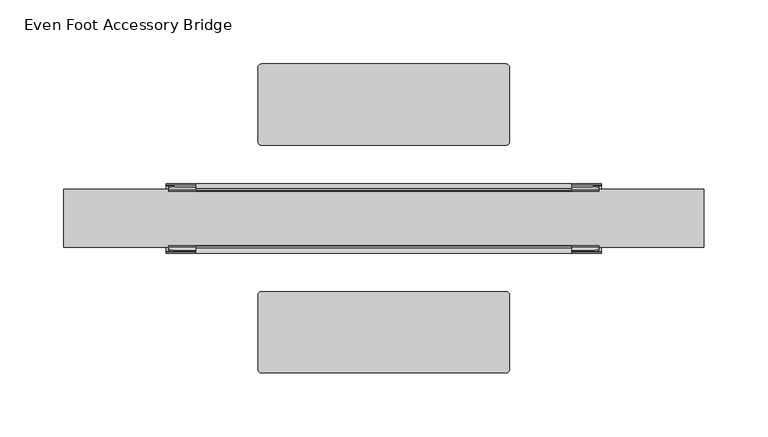
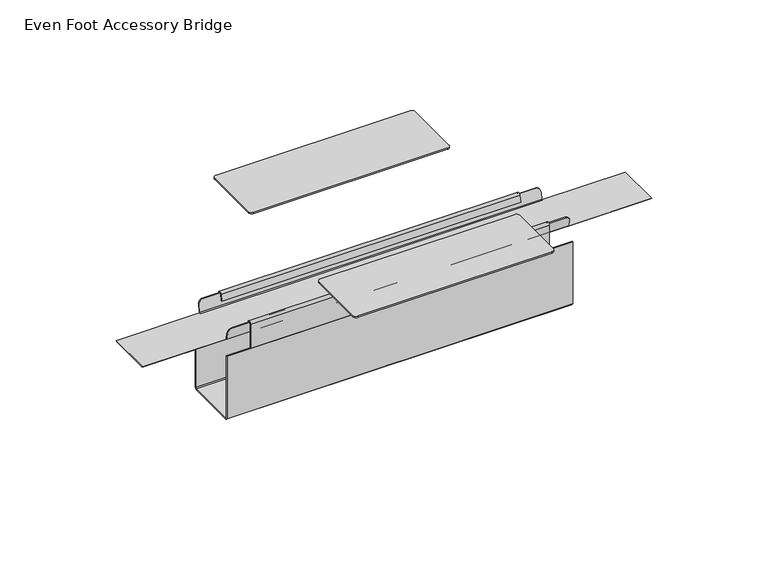
"""IFC4 building model written with IfcOpenShell, lengths in millimetres: furniture geometry, Even Foot Accessory Bridge."""

from ifc_helpers import new_model, si_unit, point, frame, frame_2d, origin, place, context, project, spatial, polyline, circle_curve, ellipse_curve, trimmed, segment, composite_curve, outline, extrude, source, transform, mapped, element, save
from ifc_brep_helpers import plane_surface, cylinder_surface, advanced_brep


def even_foot_accessory_bridge_b4b5adaf(model_context):
    return source(origin(), model_context, "Body", "SolidModel", [
        extrude(outline(composite_curve([segment(polyline([(-46.2839162, 691.7120263), (-47.625, 692.7848934), (-34.9250008, 692.7848934), (-36.3766469, 691.6235765)]), True, "CONTINUOUS"), segment(trimmed(circle_curve(frame_2d((-41.3203309, 692.7823751)), 5.0776791), [point((-36.3766469, 691.6235765))], [point((-46.2839162, 691.7120263))], False, "CARTESIAN"), True, "CONTINUOUS")], self_intersect=False)), frame((-88.8993974, 0.0, 0.0), z_axis=(1.0, 0.0, 0.0), x_axis=(0.0, 1.0, 0.0)), (0.0, 0.0, 1.0), 177.7999939),
        extrude(outline(composite_curve([segment(polyline([(-71.6310974, 691.6697725), (-73.0249985, 692.7848934), (-60.3250015, 692.7848934), (-61.7189026, 691.6697725)]), True, "CONTINUOUS"), segment(trimmed(circle_curve(frame_2d((-66.675, 692.7848991)), 5.0800008), [point((-61.7189026, 691.6697725))], [point((-71.6310974, 691.6697725))], False, "CARTESIAN"), True, "CONTINUOUS")], self_intersect=False)), frame((-88.8993974, 0.0, 0.0), z_axis=(1.0, 0.0, 0.0), x_axis=(0.0, 1.0, 0.0)), (0.0, 0.0, 1.0), 177.7999939),
        extrude(outline(composite_curve([segment(trimmed(circle_curve(frame_2d((111.1703324, 692.7823751)), 5.0776791), [point((116.1339177, 691.7120263))], [point((106.2266484, 691.6235765))], False, "CARTESIAN"), True, "CONTINUOUS"), segment(polyline([(106.2266484, 691.6235765), (104.7750023, 692.7848934), (117.4750015, 692.7848934), (116.1339177, 691.7120263)]), True, "CONTINUOUS")], self_intersect=False)), frame((-88.8993974, 0.0, 0.0), z_axis=(1.0, 0.0, 0.0), x_axis=(0.0, 1.0, 0.0)), (0.0, 0.0, 1.0), 177.7999939),
        extrude(outline(composite_curve([segment(trimmed(circle_curve(frame_2d((136.5250015, 692.7848991)), 5.0800008), [point((141.4810989, 691.6697725))], [point((131.5689041, 691.6697725))], False, "CARTESIAN"), True, "CONTINUOUS"), segment(polyline([(131.5689041, 691.6697725), (130.175003, 692.7848934), (142.875, 692.7848934), (141.4810989, 691.6697725)]), True, "CONTINUOUS")], self_intersect=False)), frame((-88.8993974, 0.0, 0.0), z_axis=(1.0, 0.0, 0.0), x_axis=(0.0, 1.0, 0.0)), (0.0, 0.0, 1.0), 177.7999939),
        extrude(outline(composite_curve([segment(trimmed(circle_curve(frame_2d((95.3775994, 152.527009)), 3.0479971), [point((95.3775994, 155.5750061))], [point((98.4255965, 152.527009))], False, "CARTESIAN"), True, "CONTINUOUS"), segment(polyline([(98.4255965, 152.527009), (98.4255965, 95.1230001)]), True, "CONTINUOUS"), segment(trimmed(circle_curve(frame_2d((95.3775994, 95.1230001)), 3.0479971), [point((98.4255965, 95.1230001))], [point((95.3775994, 92.075003))], False, "CARTESIAN"), True, "CONTINUOUS"), segment(polyline([(95.3775994, 92.075003), (-95.3764004, 92.075003)]), True, "CONTINUOUS"), segment(trimmed(circle_curve(frame_2d((-95.3764004, 95.1230001)), 3.0479971), [point((-95.3764004, 92.075003))], [point((-98.4243974, 95.1230001))], False, "CARTESIAN"), True, "CONTINUOUS"), segment(polyline([(-98.4243974, 95.1230001), (-98.4243974, 152.527009)]), True, "CONTINUOUS"), segment(trimmed(circle_curve(frame_2d((-95.3764004, 152.527009)), 3.0479971), [point((-98.4243974, 152.527009))], [point((-95.3764004, 155.5750061))], False, "CARTESIAN"), True, "CONTINUOUS"), segment(polyline([(-95.3764004, 155.5750061), (95.3775994, 155.5750061)]), True, "CONTINUOUS")], self_intersect=False)), frame((0.0, 0.0, 692.7848934), z_axis=(0.0, 0.0, 1.0), x_axis=(1.0, 0.0, 0.0)), (0.0, 0.0, 1.0), 1.518948),
        extrude(outline(composite_curve([segment(trimmed(circle_curve(frame_2d((95.3775994, -25.2729963)), 3.0479971), [point((95.3775994, -22.2249992))], [point((98.4255965, -25.2729963))], False, "CARTESIAN"), True, "CONTINUOUS"), segment(polyline([(98.4255965, -25.2729963), (98.4255965, -82.677004)]), True, "CONTINUOUS"), segment(trimmed(circle_curve(frame_2d((95.3776012, -82.677004)), 3.0479953), [point((98.4255965, -82.677004))], [point((95.3776012, -85.7249992))], False, "CARTESIAN"), True, "CONTINUOUS"), segment(polyline([(95.3776012, -85.7249992), (-95.3764022, -85.7249992)]), True, "CONTINUOUS"), segment(trimmed(circle_curve(frame_2d((-95.3764022, -82.677004)), 3.0479953), [point((-95.3764022, -85.7249992))], [point((-98.4243974, -82.677004))], False, "CARTESIAN"), True, "CONTINUOUS"), segment(polyline([(-98.4243974, -82.677004), (-98.4243974, -25.2730009)]), True, "CONTINUOUS"), segment(trimmed(circle_curve(frame_2d((-95.3763958, -25.2730009)), 3.0480016), [point((-98.4243974, -25.2730009))], [point((-95.3763958, -22.2249992))], False, "CARTESIAN"), True, "CONTINUOUS"), segment(polyline([(-95.3763958, -22.2249992), (95.3775994, -22.2249992)]), True, "CONTINUOUS")], self_intersect=False)), frame((0.0, 0.0, 692.7848934), z_axis=(0.0, 0.0, 1.0), x_axis=(1.0, 0.0, 0.0)), (0.0, 0.0, 1.0), 1.518948),
        extrude(outline(composite_curve([segment(polyline([(61.2631392, 621.9443758), (61.2631392, 647.2960276)]), True, "CONTINUOUS"), segment(trimmed(circle_curve(frame_2d((60.0298545, 646.9624515)), 1.2776009), [point((61.2631392, 647.2960276))], [point((58.8511498, 647.4553202))], True, "CARTESIAN"), True, "CONTINUOUS"), segment(polyline([(58.8511498, 647.4553202), (57.7276946, 641.0839067), (56.8296889, 641.2422546), (57.9531441, 647.6136681)]), True, "CONTINUOUS"), segment(trimmed(circle_curve(frame_2d((60.0272267, 646.9651103)), 2.1731189), [point((57.9531441, 647.6136681))], [point((62.1750021, 647.2960276))], False, "CARTESIAN"), True, "CONTINUOUS"), segment(polyline([(62.1750021, 647.2960276), (62.1750021, 621.9443758), (61.2631392, 621.9443758)]), True, "CONTINUOUS")], self_intersect=False)), frame((-146.812, 0.0, 0.0), z_axis=(1.0, 0.0, 0.0), x_axis=(0.0, 1.0, 0.0)), (0.0, 0.0, 1.0), 293.624),
        extrude(outline(composite_curve([segment(polyline([(7.6708, 621.9443758), (7.6708, 647.2858877)]), True, "CONTINUOUS"), segment(trimmed(circle_curve(frame_2d((9.820902, 646.9717931)), 2.172923), [point((7.6708, 647.2858877))], [point((11.8968574, 647.6136681))], False, "CARTESIAN"), True, "CONTINUOUS"), segment(polyline([(11.8968574, 647.6136681), (13.0203126, 641.2422546), (12.1223058, 641.0839067), (11.0460191, 647.1878149)]), True, "CONTINUOUS"), segment(trimmed(circle_curve(frame_2d((9.825851, 646.9726657)), 1.2389913), [point((11.0460191, 647.1878149))], [point((8.58686, 646.9717931))], True, "CARTESIAN"), True, "CONTINUOUS"), segment(polyline([(8.58686, 646.9717931), (8.58686, 621.9443758), (7.6708, 621.9443758)]), True, "CONTINUOUS")], self_intersect=False)), frame((-146.812, 0.0, 0.0), z_axis=(1.0, 0.0, 0.0), x_axis=(0.0, 1.0, 0.0)), (0.0, 0.0, 1.0), 293.624),
        advanced_brep(
        [(250.0000019, 13.5445675, 634.9999758), (250.0000019, 56.305434, 634.9999758), (250.0000019, 57.5403222, 635.9999874), (250.0000019, 12.3096793, 635.9999874), (-250.0000019, 12.3096793, 635.9999874), (-250.0000019, 57.5403222, 635.9999874), (-250.0000019, 56.305434, 634.9999758), (-250.0000019, 13.5445675, 634.9999758), (167.9999926, 12.5664525, 636.7920643), (167.9999926, 13.5445675, 635.9999874), (-167.9999926, 13.5445675, 635.9999874), (-167.9999926, 12.5664525, 636.7920643), (146.812, 10.1399067, 648.2078894), (163.0000097, 10.1399067, 648.2078894), (167.9999926, 11.2027022, 643.2079066), (-167.9999926, 11.2027022, 643.2079066), (-163.0000097, 10.1399067, 648.2078894), (-146.815003, 10.1399067, 648.2078894), (-164.4268447, 9.1617582, 647.9999803), (164.4268447, 9.1617582, 647.9999803), (167.9999926, 10.1803621, 643.2079066), (-167.9999926, 10.1803621, 643.2079066), (-167.9999926, 11.5883081, 636.5841533), (167.9999926, 11.5883081, 636.5841533), (167.9999926, 12.3096793, 635.9999874), (-167.9999926, 12.3096793, 635.9999874), (-167.9999926, 57.5403222, 635.9999874), (-167.9999926, 58.2617281, 636.5841814), (167.9999926, 58.2617281, 636.5841814), (167.9999926, 57.5403222, 635.9999874), (164.4268296, 60.6882188, 647.9999848), (167.9999926, 59.6696367, 643.2079066), (-167.9999926, 59.6696367, 643.2079066), (-164.4268296, 60.6882188, 647.9999848), (146.812, 59.710094, 648.2078889), (163.0023708, 59.710094, 648.2078889), (-163.0000097, 59.7100914, 648.2078894), (-146.815003, 59.710094, 648.2078889), (-167.9999926, 58.647297, 643.2079066), (-167.9999926, 57.2835437, 636.7920599), (167.9999926, 57.2835437, 636.7920599), (167.9999926, 58.647297, 643.2079066), (167.9999926, 56.305434, 635.9999874), (-167.9999926, 56.305434, 635.9999874)],
        [
            (0, 1),
            (1, 2),
            (2, 3),
            (3, 0),
            (4, 5),
            (5, 6),
            (6, 7),
            (7, 4),
            (8, 9),
            (9, 10),
            (10, 11),
            (11, 8),
            (12, 13),
            (13, 14, ellipse_curve(frame((163.0000097, 11.2027022, 643.2079066), z_axis=(0.0, 0.9781469518963393, 0.20791474333461968), x_axis=(0.0, 0.20791474333461868, -0.9781469518963393)), 5.1116888, 4.9999828)),
            (14, 8),
            (11, 15),
            (15, 16, ellipse_curve(frame((-163.0000097, 11.2027022, 643.2079066), z_axis=(0.0, 0.9781469518963393, 0.20791474333461968), x_axis=(0.0, 0.20791474333461868, -0.9781469518963393)), 5.1116888, 4.9999828)),
            (16, 17),
            (17, 12),
            (16, 18, ellipse_curve(frame((-163.0000097, -13.3834746, 643.2079066), z_axis=(0.0, -0.20790905639764876, 0.9781481606933785), x_axis=(0.0, 0.9781481606933785, 0.2079090563976488)), 24.0488939, 4.9999828)),
            (18, 19),
            (19, 13, ellipse_curve(frame((163.0000097, -13.3834746, 643.2079066), z_axis=(0.0, -0.20790905639764876, 0.9781481606933785), x_axis=(0.0, 0.9781481606933785, 0.2079090563976488)), 24.0488939, 4.9999828)),
            (20, 19, ellipse_curve(frame((163.0000097, 10.1803621, 643.2079066), z_axis=(0.0, -0.9781468865808232, -0.20791505061501045), x_axis=(0.0, 0.20791505061501017, -0.9781468865808232)), 5.1116892, 4.9999828)),
            (18, 21, ellipse_curve(frame((-163.0000097, 10.1803621, 643.2079066), z_axis=(0.0, -0.9781468865808232, -0.20791505061501045), x_axis=(0.0, 0.20791505061501017, -0.9781468865808232)), 5.1116892, 4.9999828)),
            (21, 22),
            (22, 23),
            (23, 20),
            (7, 0),
            (3, 24),
            (24, 23),
            (22, 25),
            (25, 4),
            (6, 1),
            (5, 26),
            (26, 27),
            (27, 28),
            (28, 29),
            (29, 2),
            (30, 31, ellipse_curve(frame((163.0000097, 59.6696367, 643.2079066), z_axis=(0.0, 0.9781478305357449, -0.20791060968169855), x_axis=(0.0, 0.20791060968169814, 0.978147830535745)), 5.1116842, 4.9999828)),
            (31, 28),
            (27, 32),
            (32, 33, ellipse_curve(frame((-163.0000097, 59.6696367, 643.2079066), z_axis=(0.0, 0.9781478305357449, -0.20791060968169855), x_axis=(0.0, 0.20791060968169814, 0.978147830535745)), 5.1116842, 4.9999828)),
            (33, 30),
            (34, 35),
            (35, 30, ellipse_curve(frame((163.0000097, 83.2334727, 643.2079066), z_axis=(0.0, 0.20790905639763385, 0.9781481606933816), x_axis=(0.0, 0.9781481606933815, -0.20790905639763385)), 24.0488939, 4.9999828)),
            (33, 36, ellipse_curve(frame((-163.0000097, 83.2334727, 643.2079066), z_axis=(0.0, 0.20790905639763385, 0.9781481606933816), x_axis=(0.0, 0.9781481606933815, -0.20790905639763385)), 24.0488939, 4.9999828)),
            (36, 37),
            (37, 34),
            (36, 38, ellipse_curve(frame((-163.0000097, 58.647297, 643.2079066), z_axis=(0.0, -0.9781468865808236, 0.20791505061500823), x_axis=(0.0, 0.20791505061500767, 0.9781468865808236)), 5.1116892, 4.9999828)),
            (38, 39),
            (39, 40),
            (40, 41),
            (41, 35, ellipse_curve(frame((163.0000097, 58.647297, 643.2079066), z_axis=(0.0, -0.9781468865808236, 0.20791505061500823), x_axis=(0.0, 0.20791505061500767, 0.9781468865808236)), 5.1116892, 4.9999828)),
            (42, 40),
            (39, 43),
            (43, 42),
            (25, 10),
            (9, 24),
            (29, 42),
            (43, 26),
            (20, 14),
            (41, 31),
            (15, 21),
            (32, 38),
        ],
        [
            plane_surface(frame((250.0000019, 13.5445675, 635.9999874), z_axis=(1.0, 0.0, 0.0), x_axis=(0.0, -0.777140153268337, 0.6293275634977907))),
            plane_surface(frame((-250.0000019, 13.5445675, 635.9999874), z_axis=(-1.0, 0.0, 0.0), x_axis=(0.0, 0.777140153268337, -0.6293275634977907))),
            plane_surface(frame((250.0000019, 13.5445675, 635.9999874), z_axis=(0.0, 0.6293275634977907, 0.777140153268337), x_axis=(-1.0, 0.0, 0.0))),
            plane_surface(frame((250.0000019, 12.5664525, 636.7920643), z_axis=(0.0, 0.9781469518963393, 0.20791474333461968), x_axis=(-1.0, 0.0, 0.0))),
            plane_surface(frame((250.0000019, 10.1399067, 648.2078894), z_axis=(0.0, -0.20790905639764876, 0.9781481606933785), x_axis=(-1.0, 0.0, 0.0))),
            plane_surface(frame((250.0000019, 9.1617582, 647.9999803), z_axis=(0.0, -0.9781468865808232, -0.20791505061501045), x_axis=(-1.0, 0.0, 0.0))),
            plane_surface(frame((250.0000019, 11.5883081, 636.5841533), z_axis=(0.0, -0.6293275634977443, -0.7771401532683745), x_axis=(-1.0, 0.0, 0.0))),
            plane_surface(frame((250.0000019, 13.5445675, 634.9999758), z_axis=(0.0, 0.0, -1.0), x_axis=(-1.0, 0.0, 0.0))),
            plane_surface(frame((250.0000019, 56.305434, 634.9999758), z_axis=(0.0, 0.6293275634977682, -0.7771401532683553), x_axis=(-1.0, 0.0, 0.0))),
            plane_surface(frame((250.0000019, 58.2617281, 636.5841814), z_axis=(0.0, 0.9781478305357449, -0.20791060968169855), x_axis=(-1.0, 0.0, 0.0))),
            plane_surface(frame((250.0000019, 60.6882188, 647.9999848), z_axis=(0.0, 0.20790905639763385, 0.9781481606933816), x_axis=(-1.0, 0.0, 0.0))),
            plane_surface(frame((250.0000019, 59.710094, 648.2078889), z_axis=(0.0, -0.9781468865808236, 0.20791505061500823), x_axis=(-1.0, 0.0, 0.0))),
            plane_surface(frame((250.0000019, 57.2835437, 636.7920599), z_axis=(0.0, -0.6293275634977505, 0.7771401532683696), x_axis=(-1.0, 0.0, 0.0))),
            plane_surface(frame((250.0000019, 56.305434, 635.9999874), z_axis=(0.0, 0.0, 1.0), x_axis=(-1.0, 0.0, 0.0))),
            cylinder_surface(frame((163.0000097, 87.1817798, 643.2079066), z_axis=(0.0, 1.0, 0.0), x_axis=(1.0, 0.0, 0.0)), 4.9999828),
            plane_surface(frame((167.9999926, -41.2750015, 643.2079066), z_axis=(1.0, 0.0, 0.0), x_axis=(0.0, 1.0, 0.0))),
            cylinder_surface(frame((-163.0000097, 87.1817798, 643.2079066), z_axis=(0.0, 1.0, 0.0), x_axis=(-1.0, 0.0, 0.0)), 4.9999828),
            plane_surface(frame((-167.9999926, -41.2750015, 635.9999874), z_axis=(-1.0, 0.0, 0.0), x_axis=(0.0, 1.0, 0.0))),
        ],
        [
            (0, [[1, 2, 3, 4]]),
            (1, [[5, 6, 7, 8]]),
            (2, [[9, 10, 11, 12]]),
            (3, [[13, 14, 15, -12, 16, 17, 18, 19]]),
            (4, [[-13, -19, -18, 20, 21, 22]]),
            (5, [[23, -21, 24, 25, 26, 27]]),
            (6, [[28, -4, 29, 30, -26, 31, 32, -8]]),
            (7, [[-1, -28, -7, 33]]),
            (8, [[-33, -6, 34, 35, 36, 37, 38, -2]]),
            (9, [[39, 40, -36, 41, 42, 43]]),
            (10, [[44, 45, -43, 46, 47, 48]]),
            (11, [[-44, -48, -47, 49, 50, 51, 52, 53]]),
            (12, [[54, -51, 55, 56]]),
            (13, [[-32, 57, -10, 58, -29, -3, -38, 59, -56, 60, -34, -5]]),
            (14, [[61, -14, -22, -23]]),
            (14, [[62, -39, -45, -53]]),
            (15, [[-61, -27, -30, -58, -9, -15]]),
            (15, [[-62, -52, -54, -59, -37, -40]]),
            (16, [[63, -24, -20, -17]]),
            (16, [[64, -49, -46, -42]]),
            (17, [[-63, -16, -11, -57, -31, -25]]),
            (17, [[-64, -41, -35, -60, -55, -50]]),
        ],
    ),
        extrude(outline(polyline([(61.2631392, 621.9443758), (62.1750021, 621.9443758), (62.1750021, 557.1934968), (60.3512808, 555.3697709), (9.4987201, 555.3697709), (7.6708, 557.1976967), (7.6708, 621.9443758), (8.58686, 621.9443758), (8.58686, 557.1934968), (9.4987201, 556.2816339), (60.3512808, 556.2816339), (61.2631392, 557.1934968), (61.2631392, 621.9443758)])), frame((-170.0042401, 0.0, 0.0), z_axis=(1.0, 0.0, 0.0), x_axis=(0.0, 1.0, 0.0)), (0.0, 0.0, 1.0), 340.0042378),
    ])


if __name__ == "__main__":
    model = new_model("IFC4")
    model_context = context("Model", 3, world=origin())
    ifc_project = project(units=[si_unit("LENGTHUNIT", "METRE", prefix="MILLI")], contexts=[model_context])
    site = spatial("IfcSite", under=ifc_project)
    building = spatial("IfcBuilding", under=site)
    placement = place(None, origin())
    even_foot_accessory_bridge_shape = even_foot_accessory_bridge_b4b5adaf(model_context)
    element("IfcFurniture", 1, ObjectType="Even Foot Accessory Bridge", at=placement, inside=building, context=model_context, shape_type="MappedRepresentation", body=[
        mapped(even_foot_accessory_bridge_shape, transform((0.0, 0.0, 0.0), x_axis=(1.0, 0.0, 0.0), y_axis=(0.0, 1.0, 0.0), z_axis=(0.0, 0.0, 1.0))),
    ])
    save(model, "model.ifc")
